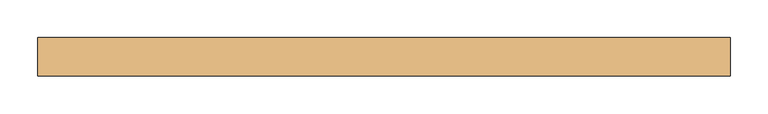
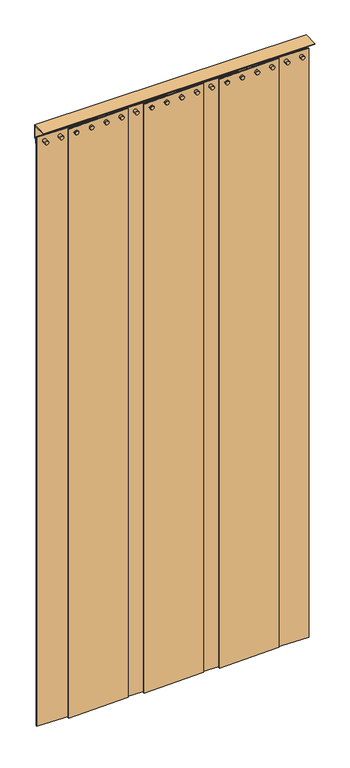
"""IFC4 building model written with IfcOpenShell, lengths in millimetres: door geometry."""

from ifc_helpers import new_model, si_unit, point, frame, frame_2d, origin, place, context, project, spatial, polyline, circle_curve, trimmed, segment, composite_curve, outline, extrude, source, transform, mapped, element, save


def door_824f6511(model_context):
    return source(origin(), model_context, "Body", "SweptSolid", [
        extrude(outline(polyline([(1734.4906968, -951.2145042), (1734.4906968, -954.3895042), (1531.2906968, -960.7395042), (1531.2906968, -957.5645042), (1734.4906968, -951.2145042)])), frame((0.0, 0.0, 50.8), z_axis=(0.0, 0.0, 1.0), x_axis=(1.0, 0.0, 0.0)), (0.0, 0.0, 1.0), 2095.5),
        extrude(outline(polyline([(1412.7573635, -945.6582542), (1615.9573635, -952.0082542), (1615.9573635, -955.1832542), (1412.7573635, -948.8332542), (1412.7573635, -945.6582542)])), frame((0.0, 0.0, 50.8), z_axis=(0.0, 0.0, 1.0), x_axis=(1.0, 0.0, 0.0)), (0.0, 0.0, 1.0), 2095.5),
        extrude(outline(polyline([(1480.4906968, -951.2145042), (1480.4906968, -954.3895042), (1277.2906968, -960.7395042), (1277.2906968, -957.5645042), (1480.4906968, -951.2145042)])), frame((0.0, 0.0, 50.8), z_axis=(0.0, 0.0, 1.0), x_axis=(1.0, 0.0, 0.0)), (0.0, 0.0, 1.0), 2095.5),
        extrude(outline(polyline([(1988.4906968, -951.2145042), (1988.4906968, -954.3895042), (1785.2906968, -960.7395042), (1785.2906968, -957.5645042), (1988.4906968, -951.2145042)])), frame((0.0, 0.0, 50.8), z_axis=(0.0, 0.0, 1.0), x_axis=(1.0, 0.0, 0.0)), (0.0, 0.0, 1.0), 2095.5),
        extrude(outline(polyline([(1649.8240301, -945.6582542), (1853.0240301, -952.0082542), (1853.0240301, -955.1832542), (1649.8240301, -948.8332542), (1649.8240301, -945.6582542)])), frame((0.0, 0.0, 50.8), z_axis=(0.0, 0.0, 1.0), x_axis=(1.0, 0.0, 0.0)), (0.0, 0.0, 1.0), 2095.5),
        extrude(outline(polyline([(1175.6906968, -945.6582542), (1378.8906968, -952.0082542), (1378.8906968, -955.1832542), (1175.6906968, -948.8332542), (1175.6906968, -945.6582542)])), frame((0.0, 0.0, 50.8), z_axis=(0.0, 0.0, 1.0), x_axis=(1.0, 0.0, 0.0)), (0.0, 0.0, 1.0), 2095.5),
        extrude(outline(polyline([(1886.8906968, -945.6582542), (2090.0906968, -952.0082542), (2090.0906968, -955.1832542), (1886.8906968, -948.8332542), (1886.8906968, -945.6582542)])), frame((0.0, 0.0, 50.8), z_axis=(0.0, 0.0, 1.0), x_axis=(1.0, 0.0, 0.0)), (0.0, 0.0, 1.0), 2095.5),
        extrude(outline(composite_curve([segment(trimmed(circle_curve(frame_2d((2127.2060012, 1201.0906968)), 6.35), [point((2127.2060012, 1207.4406968))], [point((2127.2060012, 1194.7406968))], False, "CARTESIAN"), True, "CONTINUOUS"), segment(trimmed(circle_curve(frame_2d((2127.2060012, 1201.0906968)), 6.35), [point((2127.2060012, 1194.7406968))], [point((2127.2060012, 1207.4406968))], False, "CARTESIAN"), True, "CONTINUOUS")], self_intersect=False)), frame((0.0, -964.7082542, 0.0), z_axis=(0.0, 1.0, 0.0), x_axis=(0.0, 0.0, 1.0)), (0.0, 0.0, 1.0), 19.05),
        extrude(outline(composite_curve([segment(trimmed(circle_curve(frame_2d((2127.2060012, 1251.8906968)), 6.35), [point((2127.2060012, 1258.2406968))], [point((2127.2060012, 1245.5406968))], False, "CARTESIAN"), True, "CONTINUOUS"), segment(trimmed(circle_curve(frame_2d((2127.2060012, 1251.8906968)), 6.35), [point((2127.2060012, 1245.5406968))], [point((2127.2060012, 1258.2406968))], False, "CARTESIAN"), True, "CONTINUOUS")], self_intersect=False)), frame((0.0, -964.7082542, 0.0), z_axis=(0.0, 1.0, 0.0), x_axis=(0.0, 0.0, 1.0)), (0.0, 0.0, 1.0), 19.05),
        extrude(outline(composite_curve([segment(trimmed(circle_curve(frame_2d((2127.2060012, 1302.6906968)), 6.35), [point((2127.2060012, 1309.0406968))], [point((2127.2060012, 1296.3406968))], False, "CARTESIAN"), True, "CONTINUOUS"), segment(trimmed(circle_curve(frame_2d((2127.2060012, 1302.6906968)), 6.35), [point((2127.2060012, 1296.3406968))], [point((2127.2060012, 1309.0406968))], False, "CARTESIAN"), True, "CONTINUOUS")], self_intersect=False)), frame((0.0, -964.7082542, 0.0), z_axis=(0.0, 1.0, 0.0), x_axis=(0.0, 0.0, 1.0)), (0.0, 0.0, 1.0), 19.05),
        extrude(outline(composite_curve([segment(trimmed(circle_curve(frame_2d((2127.2060012, 1353.4906968)), 6.35), [point((2127.2060012, 1359.8406968))], [point((2127.2060012, 1347.1406968))], False, "CARTESIAN"), True, "CONTINUOUS"), segment(trimmed(circle_curve(frame_2d((2127.2060012, 1353.4906968)), 6.35), [point((2127.2060012, 1347.1406968))], [point((2127.2060012, 1359.8406968))], False, "CARTESIAN"), True, "CONTINUOUS")], self_intersect=False)), frame((0.0, -964.7082542, 0.0), z_axis=(0.0, 1.0, 0.0), x_axis=(0.0, 0.0, 1.0)), (0.0, 0.0, 1.0), 19.05),
        extrude(outline(composite_curve([segment(trimmed(circle_curve(frame_2d((2127.2060012, 1404.2906968)), 6.35), [point((2127.2060012, 1410.6406968))], [point((2127.2060012, 1397.9406968))], False, "CARTESIAN"), True, "CONTINUOUS"), segment(trimmed(circle_curve(frame_2d((2127.2060012, 1404.2906968)), 6.35), [point((2127.2060012, 1397.9406968))], [point((2127.2060012, 1410.6406968))], False, "CARTESIAN"), True, "CONTINUOUS")], self_intersect=False)), frame((0.0, -964.7082542, 0.0), z_axis=(0.0, 1.0, 0.0), x_axis=(0.0, 0.0, 1.0)), (0.0, 0.0, 1.0), 19.05),
        extrude(outline(composite_curve([segment(trimmed(circle_curve(frame_2d((2127.2060012, 1455.0906968)), 6.35), [point((2127.2060012, 1461.4406968))], [point((2127.2060012, 1448.7406968))], False, "CARTESIAN"), True, "CONTINUOUS"), segment(trimmed(circle_curve(frame_2d((2127.2060012, 1455.0906968)), 6.35), [point((2127.2060012, 1448.7406968))], [point((2127.2060012, 1461.4406968))], False, "CARTESIAN"), True, "CONTINUOUS")], self_intersect=False)), frame((0.0, -964.7082542, 0.0), z_axis=(0.0, 1.0, 0.0), x_axis=(0.0, 0.0, 1.0)), (0.0, 0.0, 1.0), 19.05),
        extrude(outline(composite_curve([segment(trimmed(circle_curve(frame_2d((2127.2060012, 1505.8906968)), 6.35), [point((2127.2060012, 1512.2406968))], [point((2127.2060012, 1499.5406968))], False, "CARTESIAN"), True, "CONTINUOUS"), segment(trimmed(circle_curve(frame_2d((2127.2060012, 1505.8906968)), 6.35), [point((2127.2060012, 1499.5406968))], [point((2127.2060012, 1512.2406968))], False, "CARTESIAN"), True, "CONTINUOUS")], self_intersect=False)), frame((0.0, -964.7082542, 0.0), z_axis=(0.0, 1.0, 0.0), x_axis=(0.0, 0.0, 1.0)), (0.0, 0.0, 1.0), 19.05),
        extrude(outline(composite_curve([segment(trimmed(circle_curve(frame_2d((2127.2060012, 1556.6906968)), 6.35), [point((2127.2060012, 1563.0406968))], [point((2127.2060012, 1550.3406968))], False, "CARTESIAN"), True, "CONTINUOUS"), segment(trimmed(circle_curve(frame_2d((2127.2060012, 1556.6906968)), 6.35), [point((2127.2060012, 1550.3406968))], [point((2127.2060012, 1563.0406968))], False, "CARTESIAN"), True, "CONTINUOUS")], self_intersect=False)), frame((0.0, -964.7082542, 0.0), z_axis=(0.0, 1.0, 0.0), x_axis=(0.0, 0.0, 1.0)), (0.0, 0.0, 1.0), 19.05),
        extrude(outline(composite_curve([segment(trimmed(circle_curve(frame_2d((2127.2060012, 1607.4906968)), 6.35), [point((2127.2060012, 1613.8406968))], [point((2127.2060012, 1601.1406968))], False, "CARTESIAN"), True, "CONTINUOUS"), segment(trimmed(circle_curve(frame_2d((2127.2060012, 1607.4906968)), 6.35), [point((2127.2060012, 1601.1406968))], [point((2127.2060012, 1613.8406968))], False, "CARTESIAN"), True, "CONTINUOUS")], self_intersect=False)), frame((0.0, -964.7082542, 0.0), z_axis=(0.0, 1.0, 0.0), x_axis=(0.0, 0.0, 1.0)), (0.0, 0.0, 1.0), 19.05),
        extrude(outline(composite_curve([segment(trimmed(circle_curve(frame_2d((2127.2060012, 1658.2906968)), 6.35), [point((2127.2060012, 1664.6406968))], [point((2127.2060012, 1651.9406968))], False, "CARTESIAN"), True, "CONTINUOUS"), segment(trimmed(circle_curve(frame_2d((2127.2060012, 1658.2906968)), 6.35), [point((2127.2060012, 1651.9406968))], [point((2127.2060012, 1664.6406968))], False, "CARTESIAN"), True, "CONTINUOUS")], self_intersect=False)), frame((0.0, -964.7082542, 0.0), z_axis=(0.0, 1.0, 0.0), x_axis=(0.0, 0.0, 1.0)), (0.0, 0.0, 1.0), 19.05),
        extrude(outline(composite_curve([segment(trimmed(circle_curve(frame_2d((2127.2060012, 1709.0906968)), 6.35), [point((2127.2060012, 1715.4406968))], [point((2127.2060012, 1702.7406968))], False, "CARTESIAN"), True, "CONTINUOUS"), segment(trimmed(circle_curve(frame_2d((2127.2060012, 1709.0906968)), 6.35), [point((2127.2060012, 1702.7406968))], [point((2127.2060012, 1715.4406968))], False, "CARTESIAN"), True, "CONTINUOUS")], self_intersect=False)), frame((0.0, -964.7082542, 0.0), z_axis=(0.0, 1.0, 0.0), x_axis=(0.0, 0.0, 1.0)), (0.0, 0.0, 1.0), 19.05),
        extrude(outline(composite_curve([segment(trimmed(circle_curve(frame_2d((2127.2060012, 1759.8906968)), 6.35), [point((2127.2060012, 1766.2406968))], [point((2127.2060012, 1753.5406968))], False, "CARTESIAN"), True, "CONTINUOUS"), segment(trimmed(circle_curve(frame_2d((2127.2060012, 1759.8906968)), 6.35), [point((2127.2060012, 1753.5406968))], [point((2127.2060012, 1766.2406968))], False, "CARTESIAN"), True, "CONTINUOUS")], self_intersect=False)), frame((0.0, -964.7082542, 0.0), z_axis=(0.0, 1.0, 0.0), x_axis=(0.0, 0.0, 1.0)), (0.0, 0.0, 1.0), 19.05),
        extrude(outline(composite_curve([segment(trimmed(circle_curve(frame_2d((2127.2060012, 1810.6906968)), 6.35), [point((2127.2060012, 1817.0406968))], [point((2127.2060012, 1804.3406968))], False, "CARTESIAN"), True, "CONTINUOUS"), segment(trimmed(circle_curve(frame_2d((2127.2060012, 1810.6906968)), 6.35), [point((2127.2060012, 1804.3406968))], [point((2127.2060012, 1817.0406968))], False, "CARTESIAN"), True, "CONTINUOUS")], self_intersect=False)), frame((0.0, -964.7082542, 0.0), z_axis=(0.0, 1.0, 0.0), x_axis=(0.0, 0.0, 1.0)), (0.0, 0.0, 1.0), 19.05),
        extrude(outline(composite_curve([segment(trimmed(circle_curve(frame_2d((2127.2060012, 1861.4906968)), 6.35), [point((2127.2060012, 1867.8406968))], [point((2127.2060012, 1855.1406968))], False, "CARTESIAN"), True, "CONTINUOUS"), segment(trimmed(circle_curve(frame_2d((2127.2060012, 1861.4906968)), 6.35), [point((2127.2060012, 1855.1406968))], [point((2127.2060012, 1867.8406968))], False, "CARTESIAN"), True, "CONTINUOUS")], self_intersect=False)), frame((0.0, -964.7082542, 0.0), z_axis=(0.0, 1.0, 0.0), x_axis=(0.0, 0.0, 1.0)), (0.0, 0.0, 1.0), 19.05),
        extrude(outline(composite_curve([segment(trimmed(circle_curve(frame_2d((2127.2060012, 1912.2906968)), 6.35), [point((2127.2060012, 1918.6406968))], [point((2127.2060012, 1905.9406968))], False, "CARTESIAN"), True, "CONTINUOUS"), segment(trimmed(circle_curve(frame_2d((2127.2060012, 1912.2906968)), 6.35), [point((2127.2060012, 1905.9406968))], [point((2127.2060012, 1918.6406968))], False, "CARTESIAN"), True, "CONTINUOUS")], self_intersect=False)), frame((0.0, -964.7082542, 0.0), z_axis=(0.0, 1.0, 0.0), x_axis=(0.0, 0.0, 1.0)), (0.0, 0.0, 1.0), 19.05),
        extrude(outline(composite_curve([segment(trimmed(circle_curve(frame_2d((2127.2060012, 1963.0906968)), 6.35), [point((2127.2060012, 1969.4406968))], [point((2127.2060012, 1956.7406968))], False, "CARTESIAN"), True, "CONTINUOUS"), segment(trimmed(circle_curve(frame_2d((2127.2060012, 1963.0906968)), 6.35), [point((2127.2060012, 1956.7406968))], [point((2127.2060012, 1969.4406968))], False, "CARTESIAN"), True, "CONTINUOUS")], self_intersect=False)), frame((0.0, -964.7082542, 0.0), z_axis=(0.0, 1.0, 0.0), x_axis=(0.0, 0.0, 1.0)), (0.0, 0.0, 1.0), 19.05),
        extrude(outline(composite_curve([segment(trimmed(circle_curve(frame_2d((2127.2060012, 2013.8906968)), 6.35), [point((2127.2060012, 2020.2406968))], [point((2127.2060012, 2007.5406968))], False, "CARTESIAN"), True, "CONTINUOUS"), segment(trimmed(circle_curve(frame_2d((2127.2060012, 2013.8906968)), 6.35), [point((2127.2060012, 2007.5406968))], [point((2127.2060012, 2020.2406968))], False, "CARTESIAN"), True, "CONTINUOUS")], self_intersect=False)), frame((0.0, -964.7082542, 0.0), z_axis=(0.0, 1.0, 0.0), x_axis=(0.0, 0.0, 1.0)), (0.0, 0.0, 1.0), 19.05),
        extrude(outline(composite_curve([segment(trimmed(circle_curve(frame_2d((2127.2060012, 2064.6906968)), 6.35), [point((2127.2060012, 2071.0406968))], [point((2127.2060012, 2058.3406968))], False, "CARTESIAN"), True, "CONTINUOUS"), segment(trimmed(circle_curve(frame_2d((2127.2060012, 2064.6906968)), 6.35), [point((2127.2060012, 2058.3406968))], [point((2127.2060012, 2071.0406968))], False, "CARTESIAN"), True, "CONTINUOUS")], self_intersect=False)), frame((0.0, -964.7082542, 0.0), z_axis=(0.0, 1.0, 0.0), x_axis=(0.0, 0.0, 1.0)), (0.0, 0.0, 1.0), 19.05),
        extrude(outline(polyline([(-989.6410438, 2184.4), (-938.8410438, 2184.4), (-938.8410438, 2138.8016155), (-942.4832542, 2133.6), (-942.4832542, 2120.9), (-945.6582542, 2120.9), (-945.6582542, 2134.7335925), (-941.9842967, 2139.9805476), (-941.9842967, 2181.225), (-989.6410438, 2181.225), (-989.6410438, 2184.4)])), frame((1175.6906968, 0.0, 0.0), z_axis=(1.0, 0.0, 0.0), x_axis=(0.0, 1.0, 0.0)), (0.0, 0.0, 1.0), 914.4),
    ])


if __name__ == "__main__":
    model = new_model("IFC4")
    model_context = context("Model", 3, world=origin())
    ifc_project = project(units=[si_unit("LENGTHUNIT", "METRE", prefix="MILLI")], contexts=[model_context])
    site = spatial("IfcSite", under=ifc_project)
    building = spatial("IfcBuilding", under=site)
    placement = place(None, origin())
    door_shape = door_824f6511(model_context)
    element("IfcDoor", 1, at=placement, inside=building, context=model_context, shape_type="MappedRepresentation", body=[
        mapped(door_shape, transform((0.0, 0.0, 0.0), x_axis=(1.0, 0.0, 0.0), y_axis=(0.0, 1.0, 0.0), z_axis=(0.0, 0.0, 1.0))),
    ])
    save(model, "model.ifc")
